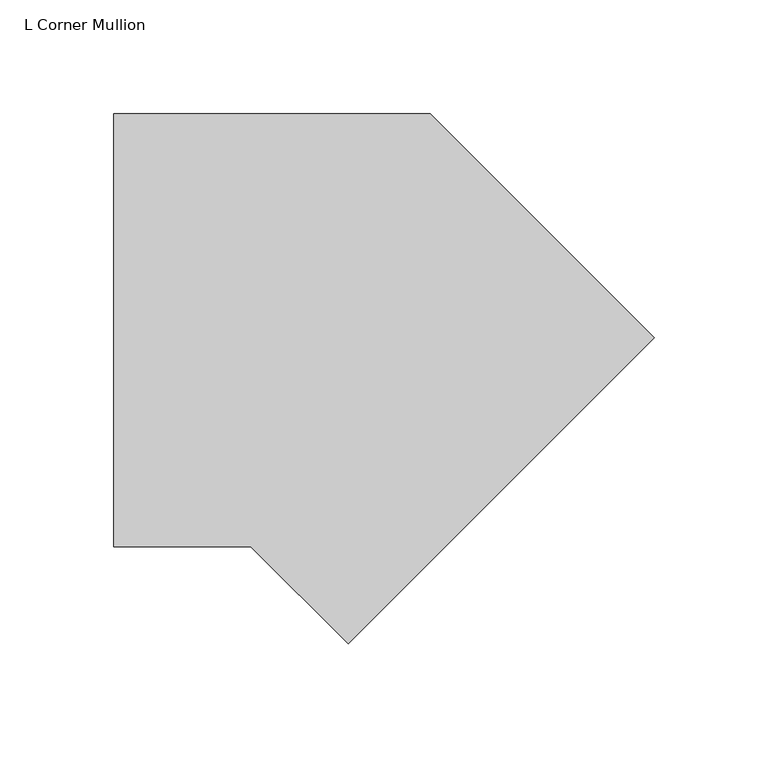
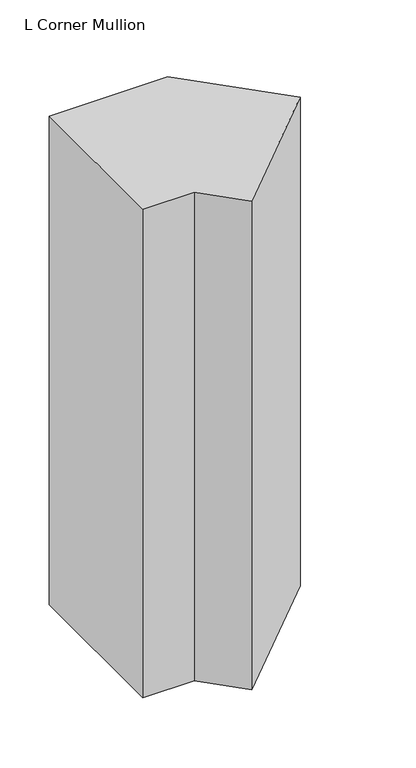
"""IFC4 building model written with IfcOpenShell, lengths in millimetres: member geometry, L Corner Mullion."""

from ifc_helpers import new_model, si_unit, frame, origin, place, context, project, spatial, polyline, outline, extrude, source, transform, mapped, element, save


def l_corner_mullion_25f9ff6a(model_context):
    return source(origin(), model_context, "Body", "SweptSolid", [
        extrude(outline(polyline([(26.8995846, -80.7811214), (-15.7815367, -38.1), (-76.1417574, -38.1), (-76.1417574, 152.4), (63.1261469, 152.4), (161.6034264, 53.9227205), (26.8995846, -80.7811214)])), frame((0.0, 0.0, -606.4249623), z_axis=(0.0, 0.0, 1.0), x_axis=(1.0, 0.0, 0.0)), (0.0, 0.0, 1.0), 606.4249623),
    ])


if __name__ == "__main__":
    model = new_model("IFC4")
    model_context = context("Model", 3, world=origin())
    ifc_project = project(units=[si_unit("LENGTHUNIT", "METRE", prefix="MILLI")], contexts=[model_context])
    site = spatial("IfcSite", under=ifc_project)
    building = spatial("IfcBuilding", under=site)
    placement = place(None, origin())
    l_corner_mullion_shape = l_corner_mullion_25f9ff6a(model_context)
    element("IfcMember", 1, ObjectType="L Corner Mullion", at=placement, inside=building, context=model_context, shape_type="MappedRepresentation", body=[
        mapped(l_corner_mullion_shape, transform((0.0, 0.0, 0.0), x_axis=(1.0, 0.0, 0.0), y_axis=(0.0, 1.0, 0.0), z_axis=(0.0, 0.0, 1.0))),
    ])
    save(model, "model.ifc")
